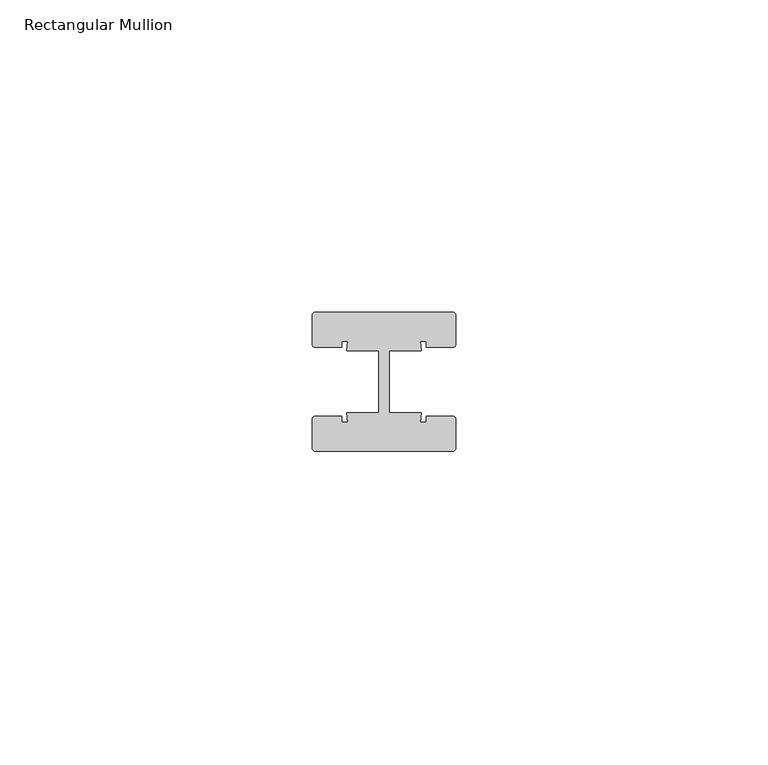
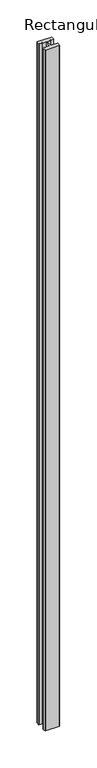
"""IFC4 building model written with IfcOpenShell, lengths in millimetres: member geometry, Rectangular Mullion."""

from ifc_helpers import new_model, si_unit, point, frame, frame_2d, origin, place, context, project, spatial, polyline, circle_curve, trimmed, segment, composite_curve, outline, extrude, source, transform, mapped, element, save


def rectangular_mullion_ca74f231(model_context):
    return source(origin(), model_context, "Body", "SweptSolid", [
        extrude(outline(composite_curve([segment(trimmed(circle_curve(frame_2d((-11.0, 10.64)), 0.5), [point((-11.5, 10.64))], [point((-11.0, 11.14))], False, "CARTESIAN"), True, "CONTINUOUS"), segment(polyline([(-11.0, 11.14), (11.0, 11.14)]), True, "CONTINUOUS"), segment(trimmed(circle_curve(frame_2d((11.0, 10.64)), 0.5), [point((11.0, 11.14))], [point((11.5, 10.64))], False, "CARTESIAN"), True, "CONTINUOUS"), segment(polyline([(11.5, 10.64), (11.5, 6.0)]), True, "CONTINUOUS"), segment(trimmed(circle_curve(frame_2d((11.0, 6.0)), 0.5), [point((11.5, 6.0))], [point((11.0, 5.5))], False, "CARTESIAN"), True, "CONTINUOUS"), segment(polyline([(11.0, 5.5), (6.75, 5.5), (6.75, 6.5), (5.7984177, 6.5), (6.0, 5.0), (0.840625, 5.0), (0.840625, -5.0), (6.0, -5.0), (5.7984177, -6.5), (6.75, -6.5), (6.75, -5.5), (11.0, -5.5)]), True, "CONTINUOUS"), segment(trimmed(circle_curve(frame_2d((11.0, -6.0)), 0.5), [point((11.0, -5.5))], [point((11.5, -6.0))], False, "CARTESIAN"), True, "CONTINUOUS"), segment(polyline([(11.5, -6.0), (11.5, -10.64)]), True, "CONTINUOUS"), segment(trimmed(circle_curve(frame_2d((11.0, -10.64)), 0.5), [point((11.5, -10.64))], [point((11.0, -11.14))], False, "CARTESIAN"), True, "CONTINUOUS"), segment(polyline([(11.0, -11.14), (-11.0, -11.14)]), True, "CONTINUOUS"), segment(trimmed(circle_curve(frame_2d((-11.0, -10.64)), 0.5), [point((-11.0, -11.14))], [point((-11.5, -10.64))], False, "CARTESIAN"), True, "CONTINUOUS"), segment(polyline([(-11.5, -10.64), (-11.5, -6.0)]), True, "CONTINUOUS"), segment(trimmed(circle_curve(frame_2d((-11.0, -6.0)), 0.5), [point((-11.5, -6.0))], [point((-11.0, -5.5))], False, "CARTESIAN"), True, "CONTINUOUS"), segment(polyline([(-11.0, -5.5), (-6.75, -5.5), (-6.75, -6.5), (-5.7984177, -6.5), (-6.0, -5.0), (-0.840625, -5.0), (-0.840625, 5.0), (-6.0, 5.0), (-5.7984177, 6.5), (-6.75, 6.5), (-6.75, 5.5), (-11.0, 5.5)]), True, "CONTINUOUS"), segment(trimmed(circle_curve(frame_2d((-11.0, 6.0)), 0.5), [point((-11.0, 5.5))], [point((-11.5, 6.0))], False, "CARTESIAN"), True, "CONTINUOUS"), segment(polyline([(-11.5, 6.0), (-11.5, 10.64)]), True, "CONTINUOUS")], self_intersect=False)), frame((0.0, 0.0, -1120.6162499), z_axis=(0.0, 0.0, 1.0), x_axis=(1.0, 0.0, 0.0)), (0.0, 0.0, 1.0), 1120.6162499),
    ])


if __name__ == "__main__":
    model = new_model("IFC4")
    model_context = context("Model", 3, world=origin())
    ifc_project = project(units=[si_unit("LENGTHUNIT", "METRE", prefix="MILLI")], contexts=[model_context])
    site = spatial("IfcSite", under=ifc_project)
    building = spatial("IfcBuilding", under=site)
    placement = place(None, origin())
    rectangular_mullion_shape = rectangular_mullion_ca74f231(model_context)
    element("IfcMember", 1, ObjectType="Rectangular Mullion", at=placement, inside=building, context=model_context, shape_type="MappedRepresentation", body=[
        mapped(rectangular_mullion_shape, transform((0.0, 0.0, 0.0), x_axis=(1.0, 0.0, 0.0), y_axis=(0.0, 1.0, 0.0), z_axis=(0.0, 0.0, 1.0))),
    ])
    save(model, "model.ifc")
